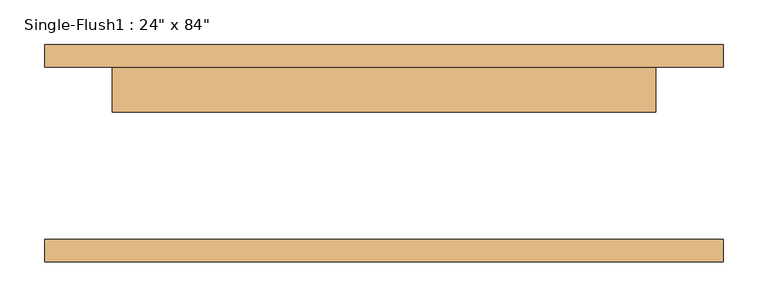
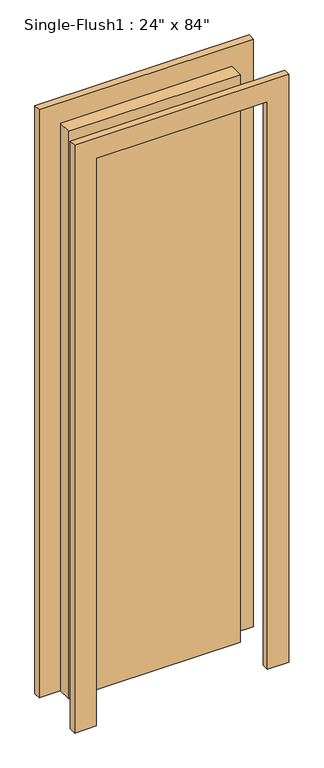
"""IFC4 building model written with IfcOpenShell, lengths in millimetres: door geometry."""

from ifc_helpers import new_model, si_unit, frame, origin, origin_with_axes, place, context, project, spatial, polyline, outline, extrude, source, transform, mapped, element, save


def door_373e557b(model_context):
    return source(origin(), model_context, "Body", "SweptSolid", [
        extrude(outline(polyline([(2209.8, -381.0), (0.0, -381.0), (0.0, -304.8), (2133.6, -304.8), (2133.6, 304.8), (0.0, 304.8), (0.0, 381.0), (2209.8, 381.0), (2209.8, -381.0)])), frame((0.0, 96.8375, 0.0), z_axis=(0.0, 1.0, 0.0), x_axis=(0.0, 0.0, 1.0)), (0.0, 0.0, 1.0), 25.4),
        extrude(outline(polyline([(2209.8, 381.0), (2209.8, -381.0), (0.0, -381.0), (0.0, -304.8), (2133.6, -304.8), (2133.6, 304.8), (0.0, 304.8), (0.0, 381.0), (2209.8, 381.0)])), frame((0.0, -122.2375, 0.0), z_axis=(0.0, 1.0, 0.0), x_axis=(0.0, 0.0, 1.0)), (0.0, 0.0, 1.0), 25.4),
        extrude(outline(polyline([(304.8, 46.0375), (-304.8, 46.0375), (-304.8, 96.8375), (304.8, 96.8375), (304.8, 46.0375)])), origin_with_axes(), (0.0, 0.0, 1.0), 2133.6),
    ])


if __name__ == "__main__":
    model = new_model("IFC4")
    model_context = context("Model", 3, world=origin())
    ifc_project = project(units=[si_unit("LENGTHUNIT", "METRE", prefix="MILLI")], contexts=[model_context])
    site = spatial("IfcSite", under=ifc_project)
    building = spatial("IfcBuilding", under=site)
    placement = place(None, origin())
    door_shape = door_373e557b(model_context)
    element("IfcDoor", 1, ObjectType="Single-Flush1 : 24\" x 84\"", at=placement, inside=building, context=model_context, shape_type="MappedRepresentation", body=[
        mapped(door_shape, transform((0.0, 0.0, 0.0), x_axis=(1.0, 0.0, 0.0), y_axis=(0.0, 1.0, 0.0), z_axis=(0.0, 0.0, 1.0))),
    ])
    save(model, "model.ifc")
